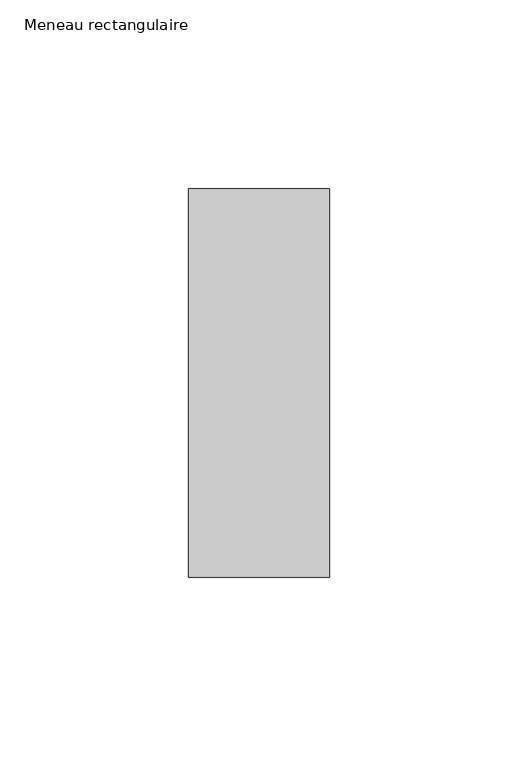
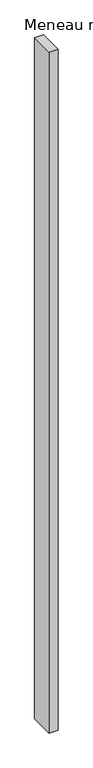
"""IFC4 building model written with IfcOpenShell, lengths in millimetres: member geometry, Meneau rectangulaire."""

from ifc_helpers import new_model, si_unit, frame, origin, place, context, project, spatial, polyline, outline, extrude, source, transform, mapped, element, save


def meneau_rectangulaire_13bd88be(model_context):
    return source(origin(), model_context, "Body", "SweptSolid", [
        extrude(outline(polyline([(0.0, 51.5), (0.0, -51.5), (-37.3886182, -51.5), (-37.3886182, 51.5), (0.0, 51.5)])), frame((0.0, 0.0, -3000.0), z_axis=(0.0, 0.0, 1.0), x_axis=(1.0, 0.0, 0.0)), (0.0, 0.0, 1.0), 3000.0),
    ])


if __name__ == "__main__":
    model = new_model("IFC4")
    model_context = context("Model", 3, world=origin())
    ifc_project = project(units=[si_unit("LENGTHUNIT", "METRE", prefix="MILLI")], contexts=[model_context])
    site = spatial("IfcSite", under=ifc_project)
    building = spatial("IfcBuilding", under=site)
    placement = place(None, origin())
    meneau_rectangulaire_shape = meneau_rectangulaire_13bd88be(model_context)
    element("IfcMember", 1, ObjectType="Meneau rectangulaire", at=placement, inside=building, context=model_context, shape_type="MappedRepresentation", body=[
        mapped(meneau_rectangulaire_shape, transform((0.0, 0.0, 0.0), x_axis=(1.0, 0.0, 0.0), y_axis=(0.0, 1.0, 0.0), z_axis=(0.0, 0.0, 1.0))),
    ])
    save(model, "model.ifc")
